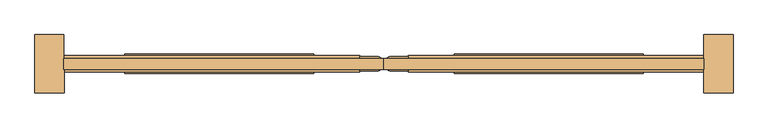
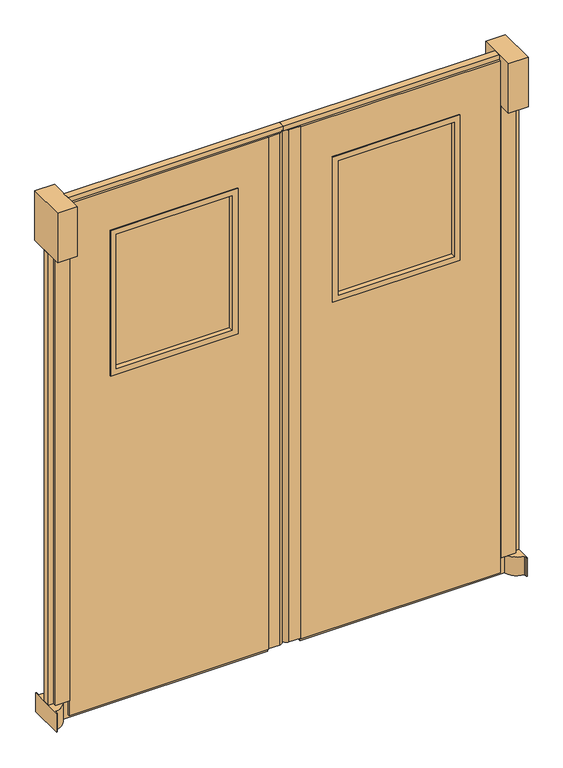
"""IFC4 building model written with IfcOpenShell, lengths in millimetres: door geometry."""

from ifc_helpers import new_model, si_unit, point, frame, frame_2d, origin, origin_with_axes, place, context, project, spatial, polyline, circle_curve, trimmed, segment, composite_curve, outline, extrude, source, transform, mapped, element, save


def door_db3fa14e(model_context):
    return source(origin(), model_context, "Body", "SweptSolid", [
        extrude(outline(composite_curve([segment(polyline([(2544.1156968, -792.7910438), (2547.2906968, -792.7910438), (2547.2906968, -932.4910438), (2544.1156968, -932.4910438), (2544.1156968, -919.7027812)]), True, "CONTINUOUS"), segment(trimmed(circle_curve(frame_2d((2547.2906968, -862.6410438)), 57.15), [point((2544.1156968, -919.7027812))], [point((2544.1156968, -805.5793065))], False, "CARTESIAN"), True, "CONTINUOUS"), segment(polyline([(2544.1156968, -805.5793065), (2544.1156968, -792.7910438)]), True, "CONTINUOUS")], self_intersect=False)), origin_with_axes(), (0.0, 0.0, 1.0), 76.2),
        extrude(outline(polyline([(0.0, 1696.3906968), (0.0, 2490.1406968), (76.2, 2490.1406968), (76.2, 2471.0906968), (12.7, 2471.0906968), (12.7, 1696.3906968), (0.0, 1696.3906968)])), frame((0.0, -877.0932133, 0.0), z_axis=(0.0, 1.0, 0.0), x_axis=(0.0, 0.0, 1.0)), (0.0, 0.0, 1.0), 28.8005507),
        extrude(outline(polyline([(1632.8906968, -877.0932133), (1632.8906968, -848.2926626), (2471.0906968, -848.2926626), (2471.0906968, -877.0932133), (1632.8906968, -877.0932133)])), frame((0.0, 0.0, 2114.55), z_axis=(0.0, 0.0, 1.0), x_axis=(1.0, 0.0, 0.0)), (0.0, 0.0, 1.0), 19.05),
        extrude(outline(polyline([(2528.2406968, -877.0932133), (2528.2406968, -848.2926626), (2547.2906968, -848.2926626), (2547.2906968, -877.0932133), (2528.2406968, -877.0932133)])), frame((0.0, 0.0, 76.2), z_axis=(0.0, 0.0, 1.0), x_axis=(1.0, 0.0, 0.0)), (0.0, 0.0, 1.0), 1854.2),
        extrude(outline(composite_curve([segment(polyline([(1696.3906968, -843.5910438), (1696.3906968, -881.6910438), (1651.9406968, -881.6910438)]), True, "CONTINUOUS"), segment(trimmed(circle_curve(frame_2d((1651.9406968, -862.6410438)), 19.05), [point((1651.9406968, -881.6910438))], [point((1651.9406968, -843.5910438))], False, "CARTESIAN"), True, "CONTINUOUS"), segment(polyline([(1651.9406968, -843.5910438), (1696.3906968, -843.5910438)]), True, "CONTINUOUS")], self_intersect=False)), frame((0.0, 0.0, 12.7), z_axis=(0.0, 0.0, 1.0), x_axis=(1.0, 0.0, 0.0)), (0.0, 0.0, 1.0), 2101.85),
        extrude(outline(polyline([(2471.0906968, -890.4222938), (2471.0906968, -834.8597938), (2528.2406968, -834.8597938), (2528.2406968, -890.4222938), (2471.0906968, -890.4222938)])), frame((0.0, 0.0, 76.2), z_axis=(0.0, 0.0, 1.0), x_axis=(1.0, 0.0, 0.0)), (0.0, 0.0, 1.0), 1854.2),
        extrude(outline(polyline([(2471.0906968, -938.8410438), (2471.0906968, -786.4410438), (2547.2906968, -786.4410438), (2547.2906968, -938.8410438), (2471.0906968, -938.8410438)])), frame((0.0, 0.0, 1930.4), z_axis=(0.0, 0.0, 1.0), x_axis=(1.0, 0.0, 0.0)), (0.0, 0.0, 1.0), 203.2),
        extrude(outline(polyline([(1839.2656968, -868.9910438), (1839.2656968, -856.2910438), (2290.1156968, -856.2910438), (2290.1156968, -868.9910438), (1839.2656968, -868.9910438)])), frame((0.0, 0.0, 1374.775), z_axis=(0.0, 0.0, 1.0), x_axis=(1.0, 0.0, 0.0)), (0.0, 0.0, 1.0), 552.45),
        extrude(outline(polyline([(1949.45, 1817.0406968), (1352.55, 1817.0406968), (1352.55, 2312.3406968), (1949.45, 2312.3406968), (1949.45, 1817.0406968)]), holes=[polyline([(1374.775, 1839.2656968), (1927.225, 1839.2656968), (1927.225, 2290.1156968), (1374.775, 2290.1156968), (1374.775, 1839.2656968)])]), frame((0.0, -888.0410438, 0.0), z_axis=(0.0, 1.0, 0.0), x_axis=(0.0, 0.0, 1.0)), (0.0, 0.0, 1.0), 50.8),
        extrude(outline(polyline([(2114.55, 1696.3906968), (12.7, 1696.3906968), (12.7, 2471.0906968), (2114.55, 2471.0906968), (2114.55, 1696.3906968)]), holes=[polyline([(1930.4, 1836.0906968), (1930.4, 2293.2906968), (1371.6, 2293.2906968), (1371.6, 1836.0906968), (1930.4, 1836.0906968)])]), frame((0.0, -884.8660438, 0.0), z_axis=(0.0, 1.0, 0.0), x_axis=(0.0, 0.0, 1.0)), (0.0, 0.0, 1.0), 44.45),
        extrude(outline(composite_curve([segment(polyline([(721.6656968, -792.7910438), (721.6656968, -805.5793065)]), True, "CONTINUOUS"), segment(trimmed(circle_curve(frame_2d((718.4906968, -862.6410438)), 57.15), [point((721.6656968, -805.5793065))], [point((721.6656968, -919.7027812))], False, "CARTESIAN"), True, "CONTINUOUS"), segment(polyline([(721.6656968, -919.7027812), (721.6656968, -932.4910438), (718.4906968, -932.4910438), (718.4906968, -792.7910438), (721.6656968, -792.7910438)]), True, "CONTINUOUS")], self_intersect=False)), origin_with_axes(), (0.0, 0.0, 1.0), 76.2),
        extrude(outline(polyline([(0.0, 1569.3906968), (12.7, 1569.3906968), (12.7, 794.6906968), (76.2, 794.6906968), (76.2, 775.6406968), (0.0, 775.6406968), (0.0, 1569.3906968)])), frame((0.0, -877.0932133, 0.0), z_axis=(0.0, 1.0, 0.0), x_axis=(0.0, 0.0, 1.0)), (0.0, 0.0, 1.0), 28.8005507),
        extrude(outline(polyline([(1632.8906968, -877.0932133), (794.6906968, -877.0932133), (794.6906968, -848.2926626), (1632.8906968, -848.2926626), (1632.8906968, -877.0932133)])), frame((0.0, 0.0, 2114.55), z_axis=(0.0, 0.0, 1.0), x_axis=(1.0, 0.0, 0.0)), (0.0, 0.0, 1.0), 19.05),
        extrude(outline(polyline([(737.5406968, -877.0932133), (718.4906968, -877.0932133), (718.4906968, -848.2926626), (737.5406968, -848.2926626), (737.5406968, -877.0932133)])), frame((0.0, 0.0, 76.2), z_axis=(0.0, 0.0, 1.0), x_axis=(1.0, 0.0, 0.0)), (0.0, 0.0, 1.0), 1854.2),
        extrude(outline(composite_curve([segment(polyline([(1569.3906968, -843.5910438), (1613.8406968, -843.5910438)]), True, "CONTINUOUS"), segment(trimmed(circle_curve(frame_2d((1613.8406968, -862.6410438)), 19.05), [point((1613.8406968, -843.5910438))], [point((1613.8406968, -881.6910438))], False, "CARTESIAN"), True, "CONTINUOUS"), segment(polyline([(1613.8406968, -881.6910438), (1569.3906968, -881.6910438), (1569.3906968, -843.5910438)]), True, "CONTINUOUS")], self_intersect=False)), frame((0.0, 0.0, 12.7), z_axis=(0.0, 0.0, 1.0), x_axis=(1.0, 0.0, 0.0)), (0.0, 0.0, 1.0), 2101.85),
        extrude(outline(polyline([(794.6906968, -890.4222938), (737.5406968, -890.4222938), (737.5406968, -834.8597938), (794.6906968, -834.8597938), (794.6906968, -890.4222938)])), frame((0.0, 0.0, 76.2), z_axis=(0.0, 0.0, 1.0), x_axis=(1.0, 0.0, 0.0)), (0.0, 0.0, 1.0), 1854.2),
        extrude(outline(polyline([(794.6906968, -938.8410438), (718.4906968, -938.8410438), (718.4906968, -786.4410438), (794.6906968, -786.4410438), (794.6906968, -938.8410438)])), frame((0.0, 0.0, 1930.4), z_axis=(0.0, 0.0, 1.0), x_axis=(1.0, 0.0, 0.0)), (0.0, 0.0, 1.0), 203.2),
        extrude(outline(polyline([(1426.5156968, -868.9910438), (975.6656968, -868.9910438), (975.6656968, -856.2910438), (1426.5156968, -856.2910438), (1426.5156968, -868.9910438)])), frame((0.0, 0.0, 1374.775), z_axis=(0.0, 0.0, 1.0), x_axis=(1.0, 0.0, 0.0)), (0.0, 0.0, 1.0), 552.45),
        extrude(outline(polyline([(1949.45, 1448.7406968), (1949.45, 953.4406968), (1352.55, 953.4406968), (1352.55, 1448.7406968), (1949.45, 1448.7406968)]), holes=[polyline([(1374.775, 1426.5156968), (1374.775, 975.6656968), (1927.225, 975.6656968), (1927.225, 1426.5156968), (1374.775, 1426.5156968)])]), frame((0.0, -888.0410438, 0.0), z_axis=(0.0, 1.0, 0.0), x_axis=(0.0, 0.0, 1.0)), (0.0, 0.0, 1.0), 50.8),
        extrude(outline(polyline([(2114.55, 1569.3906968), (2114.55, 794.6906968), (12.7, 794.6906968), (12.7, 1569.3906968), (2114.55, 1569.3906968)]), holes=[polyline([(1930.4, 1429.6906968), (1371.6, 1429.6906968), (1371.6, 972.4906968), (1930.4, 972.4906968), (1930.4, 1429.6906968)])]), frame((0.0, -884.8660438, 0.0), z_axis=(0.0, 1.0, 0.0), x_axis=(0.0, 0.0, 1.0)), (0.0, 0.0, 1.0), 44.45),
    ])


if __name__ == "__main__":
    model = new_model("IFC4")
    model_context = context("Model", 3, world=origin())
    ifc_project = project(units=[si_unit("LENGTHUNIT", "METRE", prefix="MILLI")], contexts=[model_context])
    site = spatial("IfcSite", under=ifc_project)
    building = spatial("IfcBuilding", under=site)
    placement = place(None, origin())
    door_shape = door_db3fa14e(model_context)
    element("IfcDoor", 1, at=placement, inside=building, context=model_context, shape_type="MappedRepresentation", body=[
        mapped(door_shape, transform((0.0, 0.0, 0.0), x_axis=(1.0, 0.0, 0.0), y_axis=(0.0, 1.0, 0.0), z_axis=(0.0, 0.0, 1.0))),
    ])
    save(model, "model.ifc")
